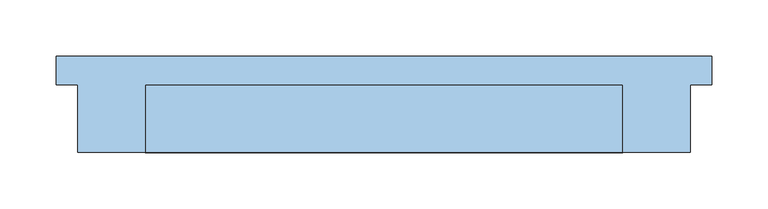
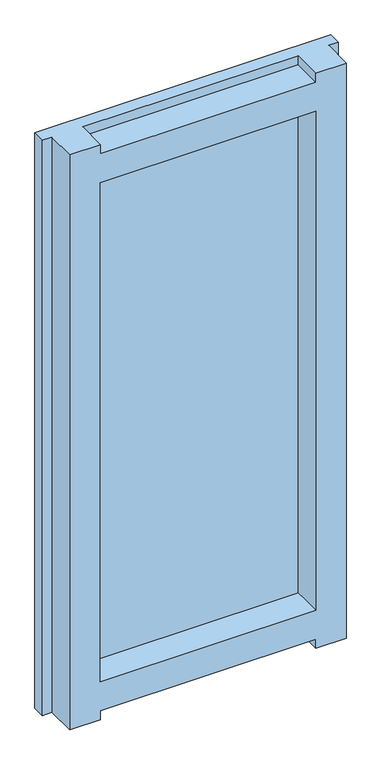
"""IFC4 building model written with IfcOpenShell, lengths in millimetres: window geometry."""

from ifc_helpers import new_model, si_unit, frame, origin, place, context, project, spatial, polyline, outline, extrude, faceted_brep, source, transform, mapped, element, save


def window_0e0634ff(model_context):
    return source(origin(), model_context, "Body", "SolidModel", [
        extrude(outline(polyline([(244.448228, -37.0376584), (-244.448228, -37.0376584), (-244.448228, -30.7384584), (244.448228, -30.7384584), (244.448228, -37.0376584)])), frame((0.0, 0.0, 28.601772), z_axis=(0.0, 0.0, 1.0), x_axis=(1.0, 0.0, 0.0)), (0.0, 0.0, 1.0), 1104.846456),
        extrude(outline(polyline([(-244.448228, -17.9368584), (-244.448228, -11.6376584), (244.448228, -11.6376584), (244.448228, -17.9368584), (-244.448228, -17.9368584)])), frame((0.0, 0.0, 28.601772), z_axis=(0.0, 0.0, 1.0), x_axis=(1.0, 0.0, 0.0)), (0.0, 0.0, 1.0), 1104.846456),
        faceted_brep([(-212.677828, -37.0376584, -19.05), (-212.677828, -97.3626584, -19.05), (-273.05, -97.3626584, -19.05), (-273.05, -37.004625, -19.05), (-292.1, -37.004625, -19.05), (-292.1, -11.6376584, -19.05), (292.1, -11.6376584, -19.05), (292.1, -37.004625, -19.05), (273.05, -37.004625, -19.05), (273.05, -97.3626584, -19.05), (212.677828, -97.3626584, -19.05), (212.677828, -37.0376584, -19.05), (-273.05, -97.3626584, 1181.1), (-273.05, -37.004625, 1181.1), (-273.05, -37.004625, 60.372172), (-273.05, -37.004625, 28.601772), (-273.05, -37.004625, 0.0), (273.05, -97.3626584, 1181.1), (212.677828, -97.3626584, 1181.1), (212.677828, -97.3626584, 1162.05), (-212.677828, -97.3626584, 1162.05), (-212.677828, -97.3626584, 1181.1), (-212.677828, -97.3626584, 0.0), (212.677828, -97.3626584, 0.0), (-212.677828, -97.3626584, 1101.677828), (212.677828, -97.3626584, 1101.677828), (212.677828, -97.3626584, 60.372172), (-212.677828, -97.3626584, 60.372172), (-292.1, -37.004625, 1181.1), (273.05, -37.004625, 1181.1), (292.1, -37.004625, 1181.1), (-292.1, -11.6376584, 1181.1), (292.1, -11.6376584, 1181.1), (-244.448228, -11.6376584, 28.601772), (244.448228, -11.6376584, 28.601772), (244.448228, -11.6376584, 1133.448228), (-244.448228, -11.6376584, 1133.448228), (-244.448228, -37.0376584, 28.601772), (244.448228, -37.0376584, 28.601772), (244.448228, -37.0376584, 1133.448228), (-244.448228, -37.0376584, 1133.448228), (-212.677828, -37.004625, 0.0), (-212.677828, -37.0376584, 1181.1), (-212.677828, -37.004625, 1162.05), (-212.677828, -37.0376584, 1101.677828), (-212.677828, -37.0376584, 60.372172), (212.677828, -37.0376584, 60.372172), (212.677828, -37.0376584, 1101.677828), (212.677828, -37.0087308, 0.0), (212.677828, -37.0376584, 1181.1), (212.677828, -37.004625, 1162.05)], [[[0, 1, 2, 3, 4, 5, 6, 7, 8, 9, 10, 11]], [[3, 2, 12, 13, 14, 15, 16]], [[9, 17, 18, 19, 20, 21, 12, 2, 1, 22, 23, 10], [24, 25, 26, 27]], [[4, 3, 16, 15, 14, 13, 28]], [[9, 8, 29, 17]], [[30, 29, 8, 7]], [[5, 31, 32, 6], [33, 34, 35, 36]], [[5, 4, 28, 31]], [[32, 30, 7, 6]], [[33, 37, 38, 34]], [[35, 34, 38, 39]], [[36, 40, 37, 33]], [[1, 0, 41, 22]], [[42, 21, 20, 43]], [[44, 24, 27, 45]], [[37, 40, 39, 38], [44, 45, 46, 47]], [[45, 27, 26, 46]], [[11, 10, 23, 48]], [[47, 46, 26, 25]], [[18, 49, 50, 19]], [[22, 41, 48, 23]], [[41, 0, 11, 48]], [[32, 31, 28, 13, 12, 21, 42, 49, 18, 17, 29, 30]], [[39, 40, 36, 35]], [[24, 44, 47, 25]], [[43, 20, 19, 50]], [[42, 43, 50, 49]]]),
    ])


if __name__ == "__main__":
    model = new_model("IFC4")
    model_context = context("Model", 3, world=origin())
    ifc_project = project(units=[si_unit("LENGTHUNIT", "METRE", prefix="MILLI")], contexts=[model_context])
    site = spatial("IfcSite", under=ifc_project)
    building = spatial("IfcBuilding", under=site)
    placement = place(None, origin())
    window_shape = window_0e0634ff(model_context)
    element("IfcWindow", 1, at=placement, inside=building, context=model_context, shape_type="MappedRepresentation", body=[
        mapped(window_shape, transform((0.0, 0.0, 0.0), x_axis=(1.0, 0.0, 0.0), y_axis=(0.0, 1.0, 0.0), z_axis=(0.0, 0.0, 1.0))),
    ])
    save(model, "model.ifc")
